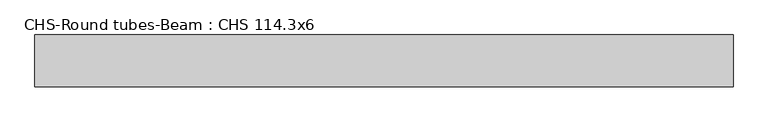
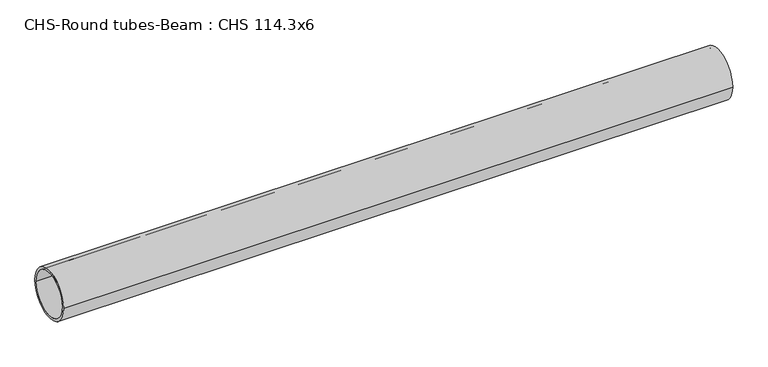
"""IFC4 building model written with IfcOpenShell, lengths in millimetres: beam geometry, CHS-Round tubes-Beam : CHS 114.3x6."""

from ifc_helpers import new_model, si_unit, point, frame, origin, origin_2d, place, context, project, spatial, circle_curve, trimmed, segment, composite_curve, outline, extrude, source, transform, mapped, element, save


def chs_round_tubes_beam_chs_114_3x6_a4b8f970(model_context):
    return source(origin(), model_context, "Body", "SweptSolid", [
        extrude(outline(composite_curve([segment(trimmed(circle_curve(origin_2d(), 57.15), [point((57.15, 0.0))], [point((-57.15, 0.0))], False, "CARTESIAN"), True, "CONTINUOUS"), segment(trimmed(circle_curve(origin_2d(), 57.15), [point((-57.15, 0.0))], [point((57.15, 0.0))], False, "CARTESIAN"), True, "CONTINUOUS")], self_intersect=False), holes=[composite_curve([segment(trimmed(circle_curve(origin_2d(), 51.15), [point((51.15, 0.0))], [point((-51.15, 0.0))], True, "CARTESIAN"), True, "CONTINUOUS"), segment(trimmed(circle_curve(origin_2d(), 51.15), [point((-51.15, 0.0))], [point((51.15, 0.0))], True, "CARTESIAN"), True, "CONTINUOUS")], self_intersect=False)]), frame((-756.5784367, 0.0, 0.0), z_axis=(1.0, 0.0, 0.0), x_axis=(0.0, 1.0, 0.0)), (0.0, 0.0, 1.0), 1532.921641),
    ])


if __name__ == "__main__":
    model = new_model("IFC4")
    model_context = context("Model", 3, world=origin())
    ifc_project = project(units=[si_unit("LENGTHUNIT", "METRE", prefix="MILLI")], contexts=[model_context])
    site = spatial("IfcSite", under=ifc_project)
    building = spatial("IfcBuilding", under=site)
    placement = place(None, origin())
    chs_round_tubes_beam_chs_114_3x6_shape = chs_round_tubes_beam_chs_114_3x6_a4b8f970(model_context)
    element("IfcBeam", 1, ObjectType="CHS-Round tubes-Beam : CHS 114.3x6", at=placement, inside=building, context=model_context, shape_type="MappedRepresentation", body=[
        mapped(chs_round_tubes_beam_chs_114_3x6_shape, transform((0.0, 0.0, 0.0), x_axis=(1.0, 0.0, 0.0), y_axis=(0.0, 1.0, 0.0), z_axis=(0.0, 0.0, 1.0))),
    ])
    save(model, "model.ifc")
